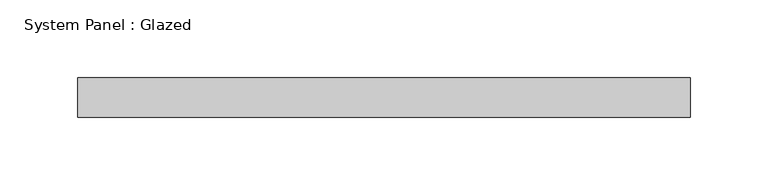
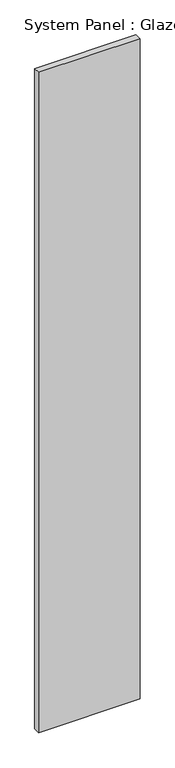
"""IFC4 building model written with IfcOpenShell, lengths in millimetres: plate geometry, System Panel : Glazed."""

from ifc_helpers import new_model, si_unit, origin, origin_with_axes, place, context, project, spatial, polyline, outline, extrude, source, transform, mapped, element, save


def system_panel_glazed_07c9a7da(model_context):
    return source(origin(), model_context, "Body", "SweptSolid", [
        extrude(outline(polyline([(196.85, 19.05), (-196.85, 19.05), (-196.85, 44.45), (196.85, 44.45), (196.85, 19.05)])), origin_with_axes(), (0.0, 0.0, 1.0), 2711.45),
    ])


if __name__ == "__main__":
    model = new_model("IFC4")
    model_context = context("Model", 3, world=origin())
    ifc_project = project(units=[si_unit("LENGTHUNIT", "METRE", prefix="MILLI")], contexts=[model_context])
    site = spatial("IfcSite", under=ifc_project)
    building = spatial("IfcBuilding", under=site)
    placement = place(None, origin())
    system_panel_glazed_shape = system_panel_glazed_07c9a7da(model_context)
    element("IfcPlate", 1, ObjectType="System Panel : Glazed", at=placement, inside=building, context=model_context, shape_type="MappedRepresentation", body=[
        mapped(system_panel_glazed_shape, transform((0.0, 0.0, 0.0), x_axis=(1.0, 0.0, 0.0), y_axis=(0.0, 1.0, 0.0), z_axis=(0.0, 0.0, 1.0))),
    ])
    save(model, "model.ifc")
